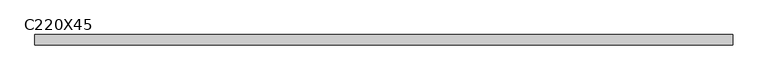
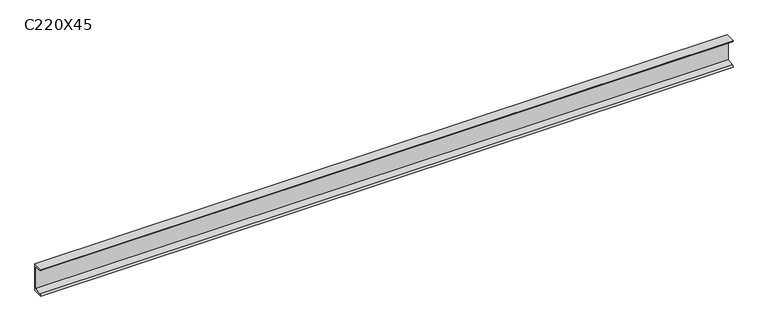
"""IFC4 building model written with IfcOpenShell, lengths in millimetres: beam geometry, C220X45."""

from ifc_helpers import new_model, si_unit, point, frame, frame_2d, origin, place, context, project, spatial, polyline, circle_curve, trimmed, segment, composite_curve, outline, extrude, source, transform, mapped, element, save


def c220x45_579c0ccf(model_context):
    return source(origin(), model_context, "Body", "SweptSolid", [
        extrude(outline(composite_curve([segment(polyline([(17.0, 110.0), (17.0, -110.0), (-64.0, -110.0)]), True, "CONTINUOUS"), segment(trimmed(circle_curve(frame_2d((-51.0, -110.0)), 13.0), [point((-64.0, -110.0))], [point((-51.0, -97.0))], False, "CARTESIAN"), True, "CONTINUOUS"), segment(polyline([(-51.0, -97.0), (4.0, -88.2888558), (4.0, 88.2888558), (-51.0, 97.0)]), True, "CONTINUOUS"), segment(trimmed(circle_curve(frame_2d((-51.0, 110.0)), 13.0), [point((-51.0, 97.0))], [point((-64.0, 110.0))], False, "CARTESIAN"), True, "CONTINUOUS"), segment(polyline([(-64.0, 110.0), (17.0, 110.0)]), True, "CONTINUOUS")], self_intersect=False)), frame((-2840.5, 0.0, 0.0), z_axis=(1.0, 0.0, 0.0), x_axis=(0.0, 1.0, 0.0)), (0.0, 0.0, 1.0), 5440.0),
    ])


if __name__ == "__main__":
    model = new_model("IFC4")
    model_context = context("Model", 3, world=origin())
    ifc_project = project(units=[si_unit("LENGTHUNIT", "METRE", prefix="MILLI")], contexts=[model_context])
    site = spatial("IfcSite", under=ifc_project)
    building = spatial("IfcBuilding", under=site)
    placement = place(None, origin())
    c220x45_shape = c220x45_579c0ccf(model_context)
    element("IfcBeam", 1, ObjectType="C220X45", at=placement, inside=building, context=model_context, shape_type="MappedRepresentation", body=[
        mapped(c220x45_shape, transform((0.0, 0.0, 0.0), x_axis=(1.0, 0.0, 0.0), y_axis=(0.0, 1.0, 0.0), z_axis=(0.0, 0.0, 1.0))),
    ])
    save(model, "model.ifc")
